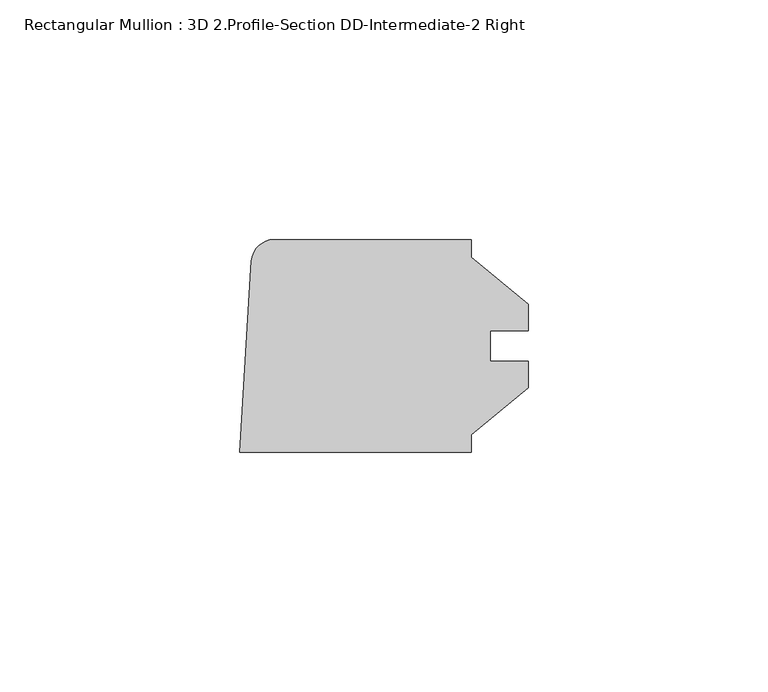
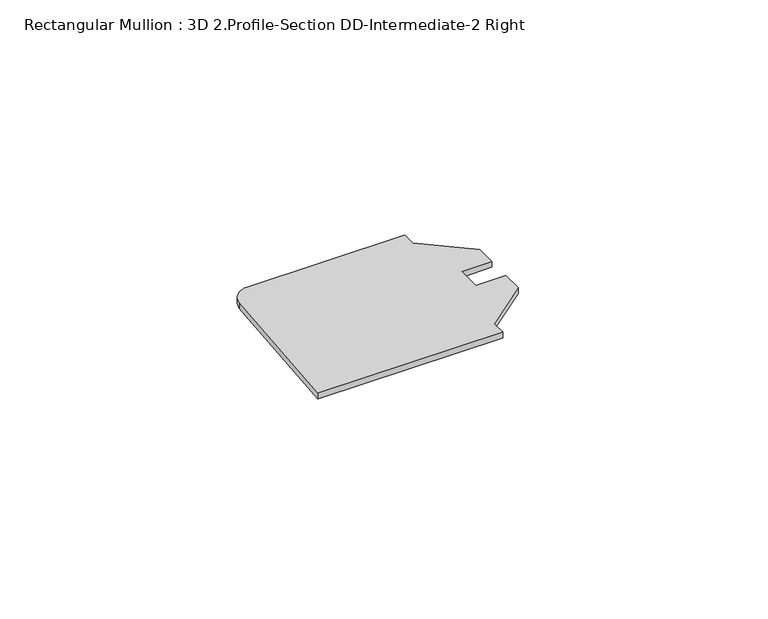
"""IFC4 building model written with IfcOpenShell, lengths in millimetres: member geometry, Rectangular Mullion : 3D 2.Profile-Section DD-Intermediate-2 Right."""

from ifc_helpers import new_model, si_unit, point, frame, frame_2d, origin, place, context, project, spatial, polyline, circle_curve, trimmed, segment, composite_curve, outline, extrude, source, transform, mapped, element, save


def rectangular_mullion_3d_2_profile_section_dd_intermediate_2_2e989246(model_context):
    return source(origin(), model_context, "Body", "SweptSolid", [
        extrude(outline(composite_curve([segment(polyline([(-16.1767364, -18.518836), (-16.1767364, -22.225), (-64.5891364, -22.225), (-62.0893561, 17.7714844)]), True, "CONTINUOUS"), segment(trimmed(circle_curve(frame_2d((-57.3488059, 17.4752)), 4.7498), [point((-62.0893561, 17.7714844))], [point((-57.3488059, 22.225))], False, "CARTESIAN"), True, "CONTINUOUS"), segment(polyline([(-57.3488059, 22.225), (-16.1767364, 22.225), (-16.1767364, 18.518836), (-4.2704864, 8.7503), (-4.2704864, 3.175), (-12.2143364, 3.175), (-12.2143364, -3.175), (-4.2704864, -3.175), (-4.2704864, -8.7503), (-16.1767364, -18.518836)]), True, "CONTINUOUS")], self_intersect=False)), frame((0.0, 0.0, -1.590675), z_axis=(0.0, 0.0, 1.0), x_axis=(1.0, 0.0, 0.0)), (0.0, 0.0, 1.0), 1.590675),
    ])


if __name__ == "__main__":
    model = new_model("IFC4")
    model_context = context("Model", 3, world=origin())
    ifc_project = project(units=[si_unit("LENGTHUNIT", "METRE", prefix="MILLI")], contexts=[model_context])
    site = spatial("IfcSite", under=ifc_project)
    building = spatial("IfcBuilding", under=site)
    placement = place(None, origin())
    rectangular_mullion_3d_2_profile_section_dd_intermediate_2_shape = rectangular_mullion_3d_2_profile_section_dd_intermediate_2_2e989246(model_context)
    element("IfcMember", 1, ObjectType="Rectangular Mullion : 3D 2.Profile-Section DD-Intermediate-2 Right", at=placement, inside=building, context=model_context, shape_type="MappedRepresentation", body=[
        mapped(rectangular_mullion_3d_2_profile_section_dd_intermediate_2_shape, transform((0.0, 0.0, 0.0), x_axis=(1.0, 0.0, 0.0), y_axis=(0.0, 1.0, 0.0), z_axis=(0.0, 0.0, 1.0))),
    ])
    save(model, "model.ifc")
